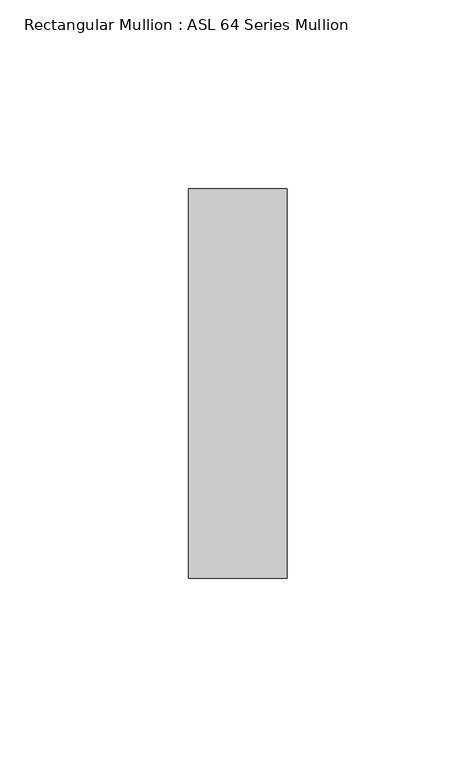
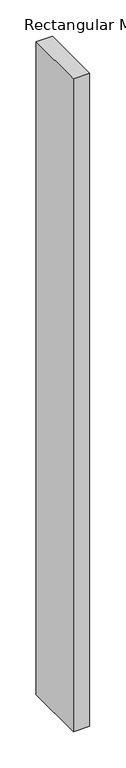
"""IFC4 building model written with IfcOpenShell, lengths in millimetres: member geometry, Rectangular Mullion : ASL 64 Series Mullion."""

import ifcopenshell
import ifcopenshell.guid

model = None  # the IFC model being written
_history = None  # IfcOwnerHistory: only IFC2X3 demands one
_inside = {}  # id of a spatial element -> (the spatial element, [elements in it])
_under = {}  # id of a project, library or spatial element -> (it, [spatial elements below it])
_declared = {}  # id of a project -> (the project, [libraries it declares])
_typed = {}  # id of a type object -> (the type object, [elements of that type])
_made_of = {}  # id of a material, layer set ... -> (it, [elements and type objects made of it])


def new_model(schema):
    """Start an empty IFC model of exactly this schema.

    Asked for "IFC4X3", IfcOpenShell would pick the latest addendum, in which some entities
    have other attributes; the version numbers below select the first issue.
    IFC2X3 requires an IfcOwnerHistory on every rooted entity: one is made here for all.
    """
    global model, _history
    if schema == "IFC4X3":
        model = ifcopenshell.file(schema_version=(4, 3, 0, 0))
    else:
        model = ifcopenshell.file(schema=schema)
    _inside.clear()
    _under.clear()
    _declared.clear()
    _typed.clear()
    _made_of.clear()
    _history = None
    if model.schema == "IFC2X3":
        org = make("IfcOrganization", Name="unknown")
        user = make(
            "IfcPersonAndOrganization",
            ThePerson=make("IfcPerson", FamilyName="unknown"),
            TheOrganization=org,
        )
        app = make(
            "IfcApplication",
            ApplicationDeveloper=org,
            Version="unknown",
            ApplicationFullName="unknown",
            ApplicationIdentifier="unknown",
        )
        _history = make(
            "IfcOwnerHistory",
            OwningUser=user,
            OwningApplication=app,
            ChangeAction="ADDED",
            CreationDate=0,
        )
    return model


def make(cls, **values):
    """One entity of the class cls with the attributes given. An attribute that is None is left unset."""
    return model.create_entity(
        cls, **{name: value for name, value in values.items() if value is not None}
    )


def rooted(cls, **values):
    """An entity with a GlobalId (a new one), such as an element, a storey or a relation."""
    return make(cls, GlobalId=ifcopenshell.guid.new(), OwnerHistory=_history, **values)


def si_unit(unit_type, name, prefix=None):
    """IfcSIUnit, for example si_unit("LENGTHUNIT", "METRE", prefix="MILLI")."""
    return make("IfcSIUnit", UnitType=unit_type, Prefix=prefix, Name=name)


def assignment(units):
    """IfcUnitAssignment: the units of a project."""
    return None if units is None else make("IfcUnitAssignment", Units=units)


def point(xyz):
    """IfcCartesianPoint."""
    return None if xyz is None else make("IfcCartesianPoint", Coordinates=xyz)


def direction(xyz):
    """IfcDirection."""
    return None if xyz is None else make("IfcDirection", DirectionRatios=xyz)


def frame(location, z_axis=None, x_axis=None):
    """IfcAxis2Placement3D, a coordinate frame: its origin and axes. An axis left out is left unset."""
    return make(
        "IfcAxis2Placement3D",
        Location=point(location),
        Axis=direction(z_axis),
        RefDirection=direction(x_axis),
    )


def origin():
    """The frame at (0, 0, 0) with its axes left unset."""
    return frame((0.0, 0.0, 0.0))


def place(relative_to, where):
    """IfcLocalPlacement: puts the frame where relative to a parent placement (None: the world)."""
    return make(
        "IfcLocalPlacement", PlacementRelTo=relative_to, RelativePlacement=where
    )


def context(
    kind, dimensions, precision=None, world=None, true_north=None, identifier=None
):
    """IfcGeometricRepresentationContext, for example the 3D "Model" context."""
    return make(
        "IfcGeometricRepresentationContext",
        ContextIdentifier=identifier,
        ContextType=kind,
        CoordinateSpaceDimension=dimensions,
        Precision=precision,
        WorldCoordinateSystem=world,
        TrueNorth=true_north,
    )


def project(units=None, contexts=None):
    """IfcProject with its units and contexts."""
    return rooted(
        "IfcProject",
        Name="project",
        RepresentationContexts=contexts,
        UnitsInContext=assignment(units),
    )


def spatial(cls, under=None, at=None, **own):
    """A site, building, storey or space (cls), placed at a placement, below another one or the project."""
    s = rooted(cls, ObjectPlacement=at, **own)
    if under is not None:
        _under.setdefault(under.id(), (under, []))[1].append(s)
    return s


def polyline(points):
    """IfcPolyline through the points."""
    return make("IfcPolyline", Points=[point(p) for p in points])


def outline(outer, holes=None, kind="AREA"):
    """IfcArbitraryClosedProfileDef: a profile drawn as a closed curve; with holes, ...WithVoids."""
    if holes is None:
        return make("IfcArbitraryClosedProfileDef", ProfileType=kind, OuterCurve=outer)
    return make(
        "IfcArbitraryProfileDefWithVoids",
        ProfileType=kind,
        OuterCurve=outer,
        InnerCurves=holes,
    )


def extrude(swept, where, along, depth):
    """IfcExtrudedAreaSolid: the profile swept, set in the frame where, extruded along a direction by depth."""
    return make(
        "IfcExtrudedAreaSolid",
        SweptArea=swept,
        Position=where,
        ExtrudedDirection=direction(along),
        Depth=depth,
    )


def shape(context_of_items, identifier, shape_type, items):
    """IfcShapeRepresentation: the items that make up one representation, for example the "Body"."""
    return make(
        "IfcShapeRepresentation",
        ContextOfItems=context_of_items,
        RepresentationIdentifier=identifier,
        RepresentationType=shape_type,
        Items=items,
    )


def source(mapping_origin, context_of_items, identifier, shape_type, items):
    """IfcRepresentationMap: a shape defined once, which mapped items show again and again."""
    return make(
        "IfcRepresentationMap",
        MappingOrigin=mapping_origin,
        MappedRepresentation=shape(context_of_items, identifier, shape_type, items),
    )


def transform(
    local_origin,
    x_axis=None,
    y_axis=None,
    z_axis=None,
    scale=None,
    scale2=None,
    scale3=None,
    uniform=True,
):
    """IfcCartesianTransformationOperator3D, or its non-uniform kind. x_axis, y_axis, z_axis: its Axis1, 2, 3."""
    if uniform:
        return make(
            "IfcCartesianTransformationOperator3D",
            Axis1=direction(x_axis),
            Axis2=direction(y_axis),
            LocalOrigin=point(local_origin),
            Scale=scale,
            Axis3=direction(z_axis),
        )
    return make(
        "IfcCartesianTransformationOperator3DnonUniform",
        Axis1=direction(x_axis),
        Axis2=direction(y_axis),
        LocalOrigin=point(local_origin),
        Scale=scale,
        Axis3=direction(z_axis),
        Scale2=scale2,
        Scale3=scale3,
    )


def mapped(mapping_source, mapping_target):
    """IfcMappedItem: shows the shape of a source again, moved by a transform."""
    return make(
        "IfcMappedItem", MappingSource=mapping_source, MappingTarget=mapping_target
    )


def made_of(thing, what):
    """Note that an element or type object is made of a material, layer set ...; save() writes the relation."""
    if what is not None:
        _made_of.setdefault(what.id(), (what, []))[1].append(thing)
    return thing


def element(
    cls,
    number,
    at=None,
    inside=None,
    cuts=None,
    type_object=None,
    material=None,
    context=None,
    identifier="Body",
    shape_type=None,
    held_by="IfcProductDefinitionShape",
    body=None,
    shapes=None,
    **own,
):
    """One element of the class cls, such as IfcWall. Its Tag is "e" and its number.

    at: its placement. inside: the storey or other place that contains it. cuts: it is an
    opening in that element (IfcRelVoidsElement). A single representation is given by context,
    identifier, shape_type and body (its items); several are given by shapes. held_by: the class
    of the entity that holds the representations. save() writes the other relations.
    """
    e = rooted(cls, Tag="e%d" % number, ObjectPlacement=at, **own)
    if body is not None:
        shapes = [shape(context, identifier, shape_type, body)]
    if shapes is not None:
        e.Representation = make(held_by, Representations=shapes)
    if inside is not None:
        _inside.setdefault(inside.id(), (inside, []))[1].append(e)
    if cuts is not None:
        rooted(
            "IfcRelVoidsElement", RelatingBuildingElement=cuts, RelatedOpeningElement=e
        )
    if type_object is not None:
        _typed.setdefault(type_object.id(), (type_object, []))[1].append(e)
    return made_of(e, material)


def aggregate(whole, parts):
    """IfcRelAggregates: a whole, such as a stair, and the parts it consists of."""
    return rooted("IfcRelAggregates", RelatingObject=whole, RelatedObjects=parts)


def save(model, path):
    """Write the relations noted so far, then the file.

    IfcRelAggregates (storeys below a building ...), IfcRelContainedInSpatialStructure (elements
    in a storey), IfcRelDefinesByType, IfcRelAssociatesMaterial and IfcRelDeclares: one each for
    every whole, place, type object, material and project.
    """
    for whole, parts in _under.values():
        aggregate(whole, parts)
    for where, things in _inside.values():
        rooted(
            "IfcRelContainedInSpatialStructure",
            RelatedElements=things,
            RelatingStructure=where,
        )
    for kind, things in _typed.values():
        rooted("IfcRelDefinesByType", RelatedObjects=things, RelatingType=kind)
    for what, things in _made_of.values():
        rooted("IfcRelAssociatesMaterial", RelatedObjects=things, RelatingMaterial=what)
    for by, libraries in _declared.values():
        rooted("IfcRelDeclares", RelatingContext=by, RelatedDefinitions=libraries)
    model.write(path)


def rectangular_mullion_asl_64_series_mullion_90644e3a(model_context):
    return source(origin(), model_context, "Body", "SweptSolid", [
        extrude(outline(polyline([(13.0, 51.5), (13.0, -51.5), (-13.0, -51.5), (-13.0, 51.5), (13.0, 51.5)])), frame((0.0, 0.0, -1100.0), z_axis=(0.0, 0.0, 1.0), x_axis=(1.0, 0.0, 0.0)), (0.0, 0.0, 1.0), 1100.0),
    ])


if __name__ == "__main__":
    model = new_model("IFC4")
    model_context = context("Model", 3, world=origin())
    ifc_project = project(units=[si_unit("LENGTHUNIT", "METRE", prefix="MILLI")], contexts=[model_context])
    site = spatial("IfcSite", under=ifc_project)
    building = spatial("IfcBuilding", under=site)
    placement = place(None, origin())
    rectangular_mullion_asl_64_series_mullion_shape = rectangular_mullion_asl_64_series_mullion_90644e3a(model_context)
    element("IfcMember", 1, ObjectType="Rectangular Mullion : ASL 64 Series Mullion", at=placement, inside=building, context=model_context, shape_type="MappedRepresentation", body=[
        mapped(rectangular_mullion_asl_64_series_mullion_shape, transform((0.0, 0.0, 0.0), x_axis=(1.0, 0.0, 0.0), y_axis=(0.0, 1.0, 0.0), z_axis=(0.0, 0.0, 1.0))),
    ])
    save(model, "model.ifc")
